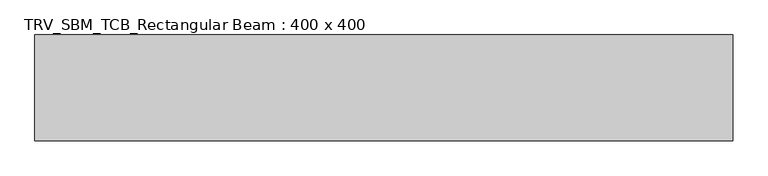
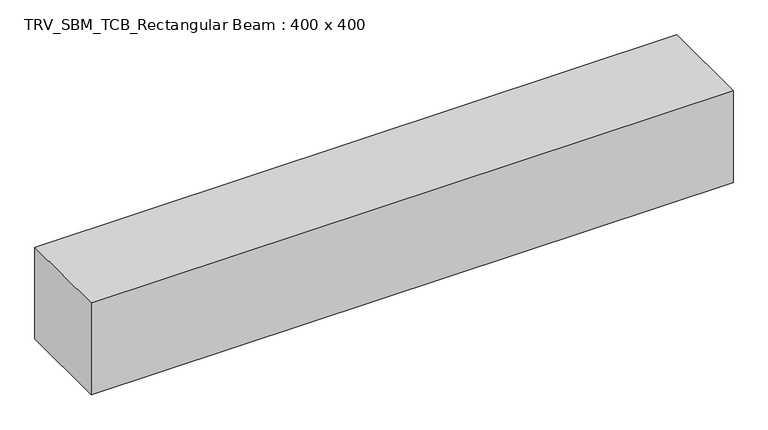
"""IFC4 building model written with IfcOpenShell, lengths in millimetres: beam geometry, TRV_SBM_TCB_Rectangular Beam : 400 x 400."""

from ifc_helpers import new_model, si_unit, frame, origin, place, context, project, spatial, polyline, outline, extrude, source, transform, mapped, element, save


def trv_sbm_tcb_rectangular_beam_400_x_400_0206ba73(model_context):
    return source(origin(), model_context, "Body", "SweptSolid", [
        extrude(outline(polyline([(1320.7, 200.0), (1320.7, -200.0), (-1320.7, -200.0), (-1320.7, 200.0), (1320.7, 200.0)])), frame((0.0, 0.0, -200.0), z_axis=(0.0, 0.0, 1.0), x_axis=(1.0, 0.0, 0.0)), (0.0, 0.0, 1.0), 400.0),
    ])


if __name__ == "__main__":
    model = new_model("IFC4")
    model_context = context("Model", 3, world=origin())
    ifc_project = project(units=[si_unit("LENGTHUNIT", "METRE", prefix="MILLI")], contexts=[model_context])
    site = spatial("IfcSite", under=ifc_project)
    building = spatial("IfcBuilding", under=site)
    placement = place(None, origin())
    trv_sbm_tcb_rectangular_beam_400_x_400_shape = trv_sbm_tcb_rectangular_beam_400_x_400_0206ba73(model_context)
    element("IfcBeam", 1, ObjectType="TRV_SBM_TCB_Rectangular Beam : 400 x 400", at=placement, inside=building, context=model_context, shape_type="MappedRepresentation", body=[
        mapped(trv_sbm_tcb_rectangular_beam_400_x_400_shape, transform((0.0, 0.0, 0.0), x_axis=(1.0, 0.0, 0.0), y_axis=(0.0, 1.0, 0.0), z_axis=(0.0, 0.0, 1.0))),
    ])
    save(model, "model.ifc")
